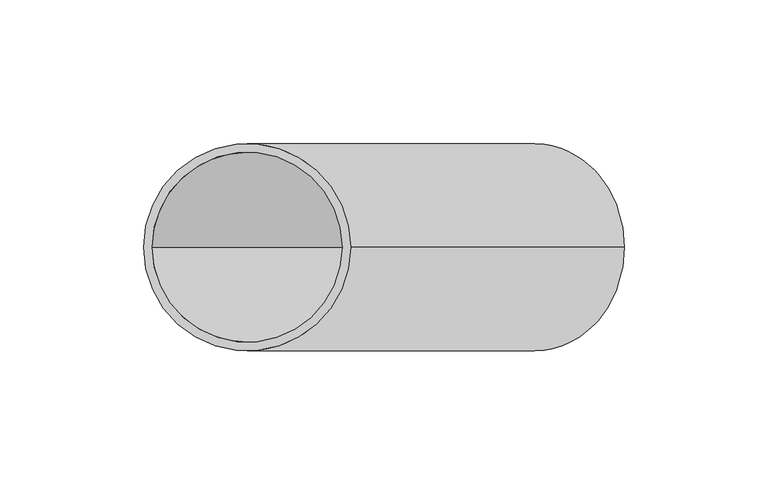
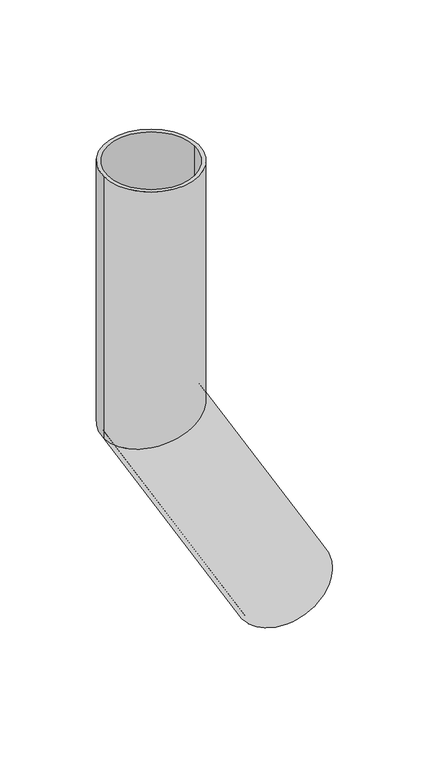
"""IFC4 building model written with IfcOpenShell, lengths in millimetres: beam geometry."""

from ifc_helpers import new_model, si_unit, frame, origin, place, context, project, spatial, polyline, circle_curve, ellipse_curve, source, transform, mapped, element, save
from ifc_brep_helpers import plane_surface, cylinder_surface, revolved_surface, advanced_brep


def beam_744ac52a(model_context):
    return source(origin(), model_context, "Body", "AdvancedBrep", [
        advanced_brep(
        [(131.1769145, 0.0, -355.2050808), (68.8230855, 0.0, -391.2050808), (128.5788383, 0.0, -356.7050808), (71.4211617, 0.0, -389.7050808), (36.0, 0.0, 0.0), (-36.0, 0.0, 0.0), (33.0, 0.0, 0.0), (-33.0, 0.0, 0.0), (33.0, 0.0, -191.1576766), (0.0, -33.0, -200.0), (-33.0, 0.0, -208.8423234), (0.0, 33.0, -200.0), (36.0, 0.0, -190.3538291), (-36.0, 0.0, -209.6461709)],
        [
            (0, 1, circle_curve(frame((100.0, 0.0, -373.2050808), z_axis=(0.5000000000000633, 0.0, -0.8660254037844022), x_axis=(-0.8660254037844022, 0.0, -0.5000000000000633)), 36.0)),
            (1, 0, circle_curve(frame((100.0, 0.0, -373.2050808), z_axis=(0.5000000000000633, 0.0, -0.8660254037844022), x_axis=(-0.8660254037844022, 0.0, -0.5000000000000633)), 36.0)),
            (2, 3, circle_curve(frame((100.0, 0.0, -373.2050808), z_axis=(-0.5000000000000633, 0.0, 0.8660254037844022), x_axis=(-0.8660254037844022, 0.0, -0.5000000000000633)), 33.0)),
            (3, 2, circle_curve(frame((100.0, 0.0, -373.2050808), z_axis=(-0.5000000000000633, 0.0, 0.8660254037844022), x_axis=(-0.8660254037844022, 0.0, -0.5000000000000633)), 33.0)),
            (4, 5, circle_curve(frame((0.0, 0.0, 0.0), z_axis=(0.0, 0.0, 1.0), x_axis=(-1.0, 0.0, 0.0)), 36.0)),
            (5, 4, circle_curve(frame((0.0, 0.0, 0.0), z_axis=(0.0, 0.0, 1.0), x_axis=(-1.0, 0.0, 0.0)), 36.0)),
            (6, 7, circle_curve(frame((0.0, 0.0, 0.0), z_axis=(0.0, 0.0, -1.0), x_axis=(-1.0, 0.0, 0.0)), 33.0)),
            (7, 6, circle_curve(frame((0.0, 0.0, 0.0), z_axis=(0.0, 0.0, -1.0), x_axis=(-1.0, 0.0, 0.0)), 33.0)),
            (6, 8),
            (8, 9, ellipse_curve(frame((0.0, 0.0, -200.0), z_axis=(0.25881904510255604, 0.0, -0.9659258262890589), x_axis=(0.9659258262890589, 0.0, 0.25881904510255593)), 34.164114, 33.0)),
            (9, 10, ellipse_curve(frame((0.0, 0.0, -200.0), z_axis=(0.25881904510255604, 0.0, -0.9659258262890589), x_axis=(0.9659258262890589, 0.0, 0.25881904510255593)), 34.164114, 33.0)),
            (10, 7),
            (10, 11, ellipse_curve(frame((0.0, 0.0, -200.0), z_axis=(0.25881904510255604, 0.0, -0.9659258262890589), x_axis=(0.9659258262890589, 0.0, 0.25881904510255593)), 34.164114, 33.0)),
            (11, 8, ellipse_curve(frame((0.0, 0.0, -200.0), z_axis=(0.25881904510255604, 0.0, -0.9659258262890589), x_axis=(0.9659258262890589, 0.0, 0.25881904510255593)), 34.164114, 33.0)),
            (4, 12),
            (12, 13, ellipse_curve(frame((0.0, 0.0, -200.0), z_axis=(-0.25881904510255604, 0.0, 0.9659258262890589), x_axis=(-0.9659258262890589, 0.0, -0.25881904510255593)), 37.2699425, 36.0)),
            (13, 5),
            (13, 12, ellipse_curve(frame((0.0, 0.0, -200.0), z_axis=(-0.25881904510255604, 0.0, 0.9659258262890589), x_axis=(-0.9659258262890589, 0.0, -0.25881904510255593)), 37.2699425, 36.0)),
            (2, 8),
            (10, 3),
            (0, 12),
            (13, 1),
        ],
        [
            plane_surface(frame((100.0, 0.0, -373.2050808), z_axis=(0.5000000000000633, 0.0, -0.8660254037844022), x_axis=(0.0, -1.0, 0.0))),
            plane_surface(frame((0.0, 0.0, 0.0), z_axis=(0.0, 0.0, 1.0), x_axis=(0.0, -1.0, 0.0))),
            revolved_surface(polyline([(-33.0, 0.0, 0.0), (-33.0, 0.0, -208.8423234)]), (0.0, 0.0, -200.0), (0.0, 0.0, 1.0)),
            cylinder_surface(frame((0.0, 0.0, -200.0), z_axis=(0.0, 0.0, -1.0), x_axis=(-1.0, 0.0, 0.0)), 36.0),
            revolved_surface(polyline([(-33.00000002469409, 0.0, -208.84232335059843), (71.42116168133515, 0.0, -389.70508081077617)]), (100.0, 0.0, -373.2050808), (-0.5000000000000633, 0.0, 0.8660254037844022)),
            cylinder_surface(frame((100.0, 0.0, -373.2050808), z_axis=(0.5000000000000633, 0.0, -0.8660254037844022), x_axis=(-0.8660254037844022, 0.0, -0.5000000000000633)), 36.0),
        ],
        [
            (0, [[1, 2], [3, 4]]),
            (1, [[5, 6], [7, 8]]),
            (2, [[-7, 9, 10, 11, 12]]),
            (2, [[-8, -12, 13, 14, -9]]),
            (3, [[-5, 15, 16, 17]]),
            (3, [[-6, -17, 18, -15]]),
            (4, [[-3, 19, -14, -13, 20]]),
            (4, [[-4, -20, -11, -10, -19]]),
            (5, [[-1, 21, -18, 22]]),
            (5, [[-2, -22, -16, -21]]),
        ],
    ),
    ])


if __name__ == "__main__":
    model = new_model("IFC4")
    model_context = context("Model", 3, world=origin())
    ifc_project = project(units=[si_unit("LENGTHUNIT", "METRE", prefix="MILLI")], contexts=[model_context])
    site = spatial("IfcSite", under=ifc_project)
    building = spatial("IfcBuilding", under=site)
    placement = place(None, origin())
    beam_shape = beam_744ac52a(model_context)
    element("IfcBeam", 1, at=placement, inside=building, context=model_context, shape_type="MappedRepresentation", body=[
        mapped(beam_shape, transform((0.0, 0.0, 0.0), x_axis=(1.0, 0.0, 0.0), y_axis=(0.0, 1.0, 0.0), z_axis=(0.0, 0.0, 1.0))),
    ])
    save(model, "model.ifc")
